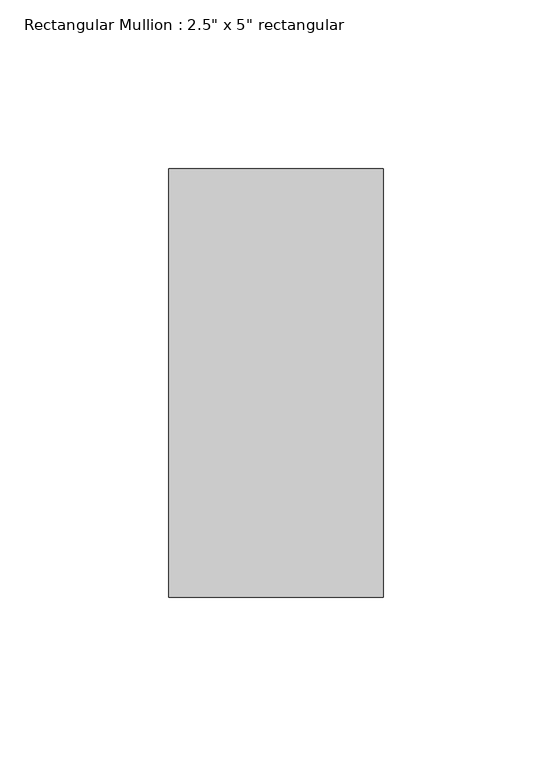
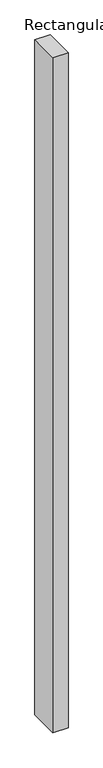
"""IFC4 building model written with IfcOpenShell, lengths in millimetres: member geometry."""

from ifc_helpers import new_model, si_unit, frame, origin, place, context, project, spatial, polyline, outline, extrude, source, transform, mapped, element, save


def member_c65d5026(model_context):
    return source(origin(), model_context, "Body", "SweptSolid", [
        extrude(outline(polyline([(31.75, 63.5), (31.75, -63.5), (-31.75, -63.5), (-31.75, 63.5), (31.75, 63.5)])), frame((0.0, 0.0, -2952.75), z_axis=(0.0, 0.0, 1.0), x_axis=(1.0, 0.0, 0.0)), (0.0, 0.0, 1.0), 2952.75),
    ])


if __name__ == "__main__":
    model = new_model("IFC4")
    model_context = context("Model", 3, world=origin())
    ifc_project = project(units=[si_unit("LENGTHUNIT", "METRE", prefix="MILLI")], contexts=[model_context])
    site = spatial("IfcSite", under=ifc_project)
    building = spatial("IfcBuilding", under=site)
    placement = place(None, origin())
    member_shape = member_c65d5026(model_context)
    element("IfcMember", 1, ObjectType="Rectangular Mullion : 2.5\" x 5\" rectangular", at=placement, inside=building, context=model_context, shape_type="MappedRepresentation", body=[
        mapped(member_shape, transform((0.0, 0.0, 0.0), x_axis=(1.0, 0.0, 0.0), y_axis=(0.0, 1.0, 0.0), z_axis=(0.0, 0.0, 1.0))),
    ])
    save(model, "model.ifc")
